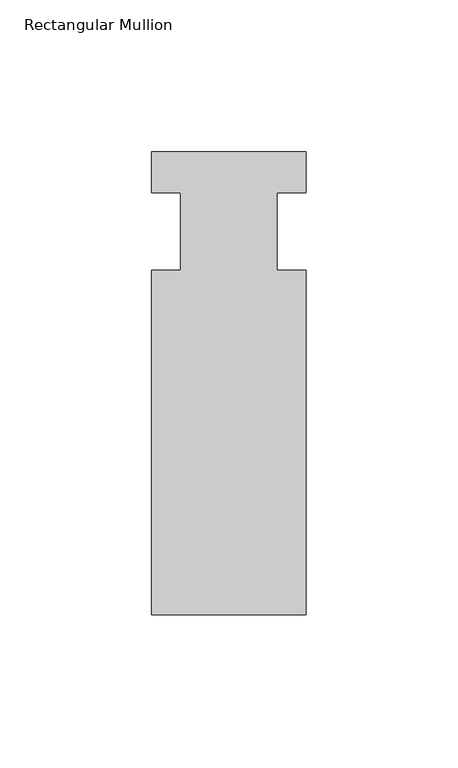
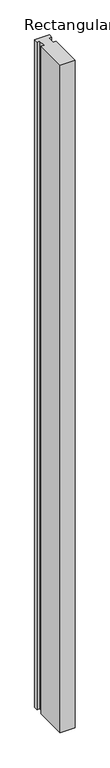
"""IFC4 building model written with IfcOpenShell, lengths in millimetres: member geometry, Rectangular Mullion."""

from ifc_helpers import new_model, si_unit, frame, origin, place, context, project, spatial, polyline, outline, extrude, source, transform, mapped, element, save


def rectangular_mullion_fe170ca9(model_context):
    return source(origin(), model_context, "Body", "SweptSolid", [
        extrude(outline(polyline([(-25.4, 26.19375), (25.4, 26.19375), (25.4, 12.7), (15.875, 12.7), (15.875, -12.7), (25.4, -12.7), (25.4, -126.20625), (-25.4, -126.20625), (-25.4, -12.7), (-15.875, -12.7), (-15.875, 12.7), (-25.4, 12.7), (-25.4, 26.19375)])), frame((0.0, 0.0, -2438.4), z_axis=(0.0, 0.0, 1.0), x_axis=(1.0, 0.0, 0.0)), (0.0, 0.0, 1.0), 2438.4),
    ])


if __name__ == "__main__":
    model = new_model("IFC4")
    model_context = context("Model", 3, world=origin())
    ifc_project = project(units=[si_unit("LENGTHUNIT", "METRE", prefix="MILLI")], contexts=[model_context])
    site = spatial("IfcSite", under=ifc_project)
    building = spatial("IfcBuilding", under=site)
    placement = place(None, origin())
    rectangular_mullion_shape = rectangular_mullion_fe170ca9(model_context)
    element("IfcMember", 1, ObjectType="Rectangular Mullion", at=placement, inside=building, context=model_context, shape_type="MappedRepresentation", body=[
        mapped(rectangular_mullion_shape, transform((0.0, 0.0, 0.0), x_axis=(1.0, 0.0, 0.0), y_axis=(0.0, 1.0, 0.0), z_axis=(0.0, 0.0, 1.0))),
    ])
    save(model, "model.ifc")
